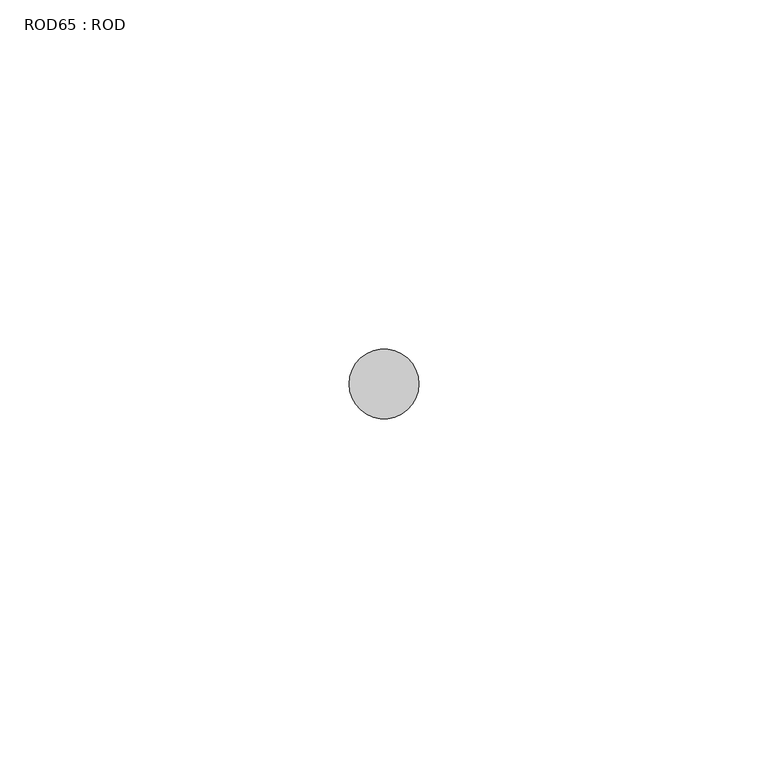
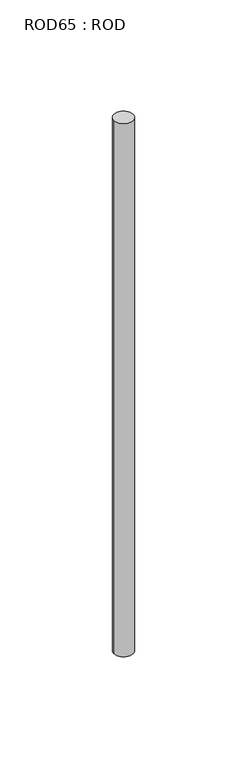
"""IFC4 building model written with IfcOpenShell, lengths in millimetres: proxy geometry, ROD65 : ROD."""

from ifc_helpers import new_model, si_unit, point, frame, frame_2d, origin, place, context, project, spatial, circle_curve, trimmed, segment, composite_curve, outline, extrude, source, transform, mapped, element, save


def rod65_rod_e3090331(model_context):
    return source(origin(), model_context, "Body", "SweptSolid", [
        extrude(outline(composite_curve([segment(trimmed(circle_curve(frame_2d((-4400.2326676, -10466.6028424)), 5.0), [point((-4405.2326676, -10466.6028424))], [point((-4395.2326676, -10466.6028424))], False, "CARTESIAN"), True, "CONTINUOUS"), segment(trimmed(circle_curve(frame_2d((-4400.2326676, -10466.6028424)), 5.0), [point((-4395.2326676, -10466.6028424))], [point((-4405.2326676, -10466.6028424))], False, "CARTESIAN"), True, "CONTINUOUS")], self_intersect=False)), frame((0.0, 0.0, -108.6608845), z_axis=(0.0, 0.0, 1.0), x_axis=(1.0, 0.0, 0.0)), (0.0, 0.0, 1.0), 298.9028972),
    ])


if __name__ == "__main__":
    model = new_model("IFC4")
    model_context = context("Model", 3, world=origin())
    ifc_project = project(units=[si_unit("LENGTHUNIT", "METRE", prefix="MILLI")], contexts=[model_context])
    site = spatial("IfcSite", under=ifc_project)
    building = spatial("IfcBuilding", under=site)
    placement = place(None, origin())
    rod65_rod_shape = rod65_rod_e3090331(model_context)
    element("IfcBuildingElementProxy", 1, Name="ROD65 : ROD", ObjectType="ROD65 : ROD", at=placement, inside=building, context=model_context, shape_type="MappedRepresentation", body=[
        mapped(rod65_rod_shape, transform((0.0, 0.0, 0.0), x_axis=(1.0, 0.0, 0.0), y_axis=(0.0, 1.0, 0.0), z_axis=(0.0, 0.0, 1.0))),
    ])
    save(model, "model.ifc")
